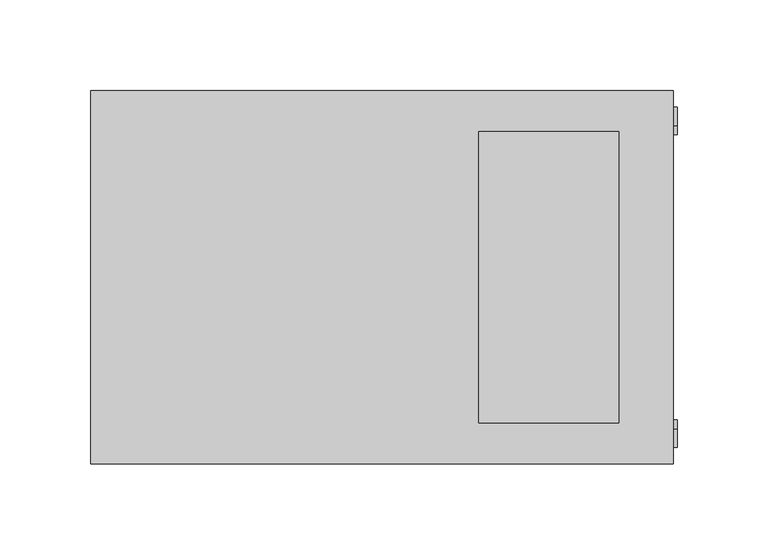
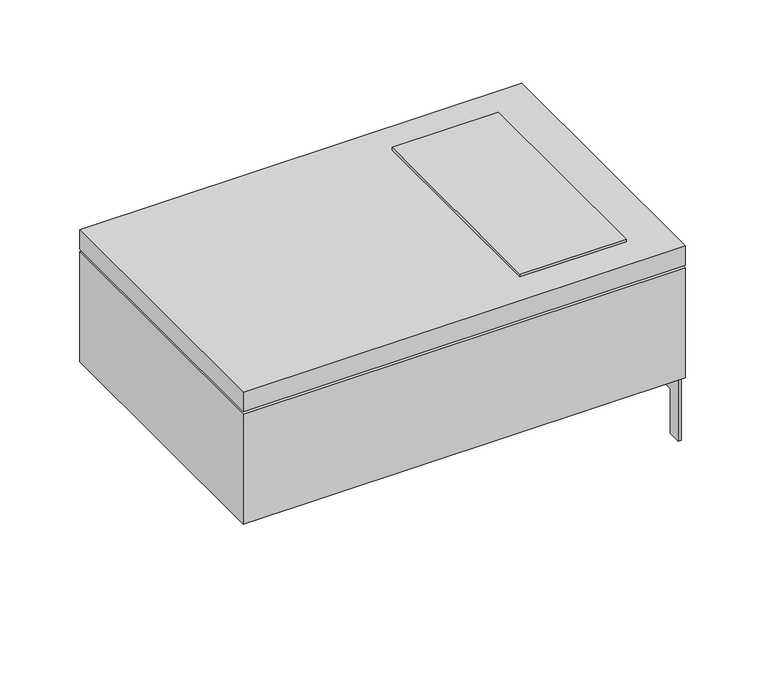
"""IFC4 building model written with IfcOpenShell, lengths in millimetres: proxy geometry."""

from ifc_helpers import new_model, si_unit, frame, origin, origin_with_axes, place, context, project, spatial, polyline, outline, extrude, source, transform, mapped, element, save


def electrical_fixtures_50f5d7ba(model_context):
    return source(origin(), model_context, "Body", "SweptSolid", [
        extrude(outline(polyline([(290.0, 80.0), (290.0, -80.0), (213.0, -80.0), (213.0, 80.0), (290.0, 80.0)])), frame((0.0, 0.0, 101.0), z_axis=(0.0, 0.0, 1.0), x_axis=(1.0, 0.0, 0.0)), (0.0, 0.0, 1.0), 2.0),
        extrude(outline(polyline([(78.5, -10.0), (83.5, -10.0), (83.5, 24.0), (93.5, 24.0), (93.5, -54.0), (83.5, -54.0), (83.5, -20.0), (78.5, -20.0), (78.5, -10.0)])), frame((320.0, 0.0, 0.0), z_axis=(1.0, 0.0, 0.0), x_axis=(0.0, 1.0, 0.0)), (0.0, 0.0, 1.0), 2.0),
        extrude(outline(polyline([(-78.5, -10.0), (-78.5, -20.0), (-83.5, -20.0), (-83.5, -54.0), (-93.5, -54.0), (-93.5, 24.0), (-83.5, 24.0), (-83.5, -10.0), (-78.5, -10.0)])), frame((320.0, 0.0, 0.0), z_axis=(1.0, 0.0, 0.0), x_axis=(0.0, 1.0, 0.0)), (0.0, 0.0, 1.0), 2.0),
        extrude(outline(polyline([(320.0, 102.5), (320.0, -102.5), (0.0, -102.5), (0.0, 102.5), (320.0, 102.5)])), origin_with_axes(), (0.0, 0.0, 1.0), 84.0),
        extrude(outline(polyline([(320.0, 102.5), (320.0, -102.5), (0.0, -102.5), (0.0, 102.5), (320.0, 102.5)])), frame((0.0, 0.0, 86.0), z_axis=(0.0, 0.0, 1.0), x_axis=(1.0, 0.0, 0.0)), (0.0, 0.0, 1.0), 15.0),
    ])


if __name__ == "__main__":
    model = new_model("IFC4")
    model_context = context("Model", 3, world=origin())
    ifc_project = project(units=[si_unit("LENGTHUNIT", "METRE", prefix="MILLI")], contexts=[model_context])
    site = spatial("IfcSite", under=ifc_project)
    building = spatial("IfcBuilding", under=site)
    placement = place(None, origin())
    electrical_fixtures_shape = electrical_fixtures_50f5d7ba(model_context)
    element("IfcBuildingElementProxy", 1, Name="Electrical Fixtures", at=placement, inside=building, context=model_context, shape_type="MappedRepresentation", body=[
        mapped(electrical_fixtures_shape, transform((0.0, 0.0, 0.0), x_axis=(1.0, 0.0, 0.0), y_axis=(0.0, 1.0, 0.0), z_axis=(0.0, 0.0, 1.0))),
    ])
    save(model, "model.ifc")
